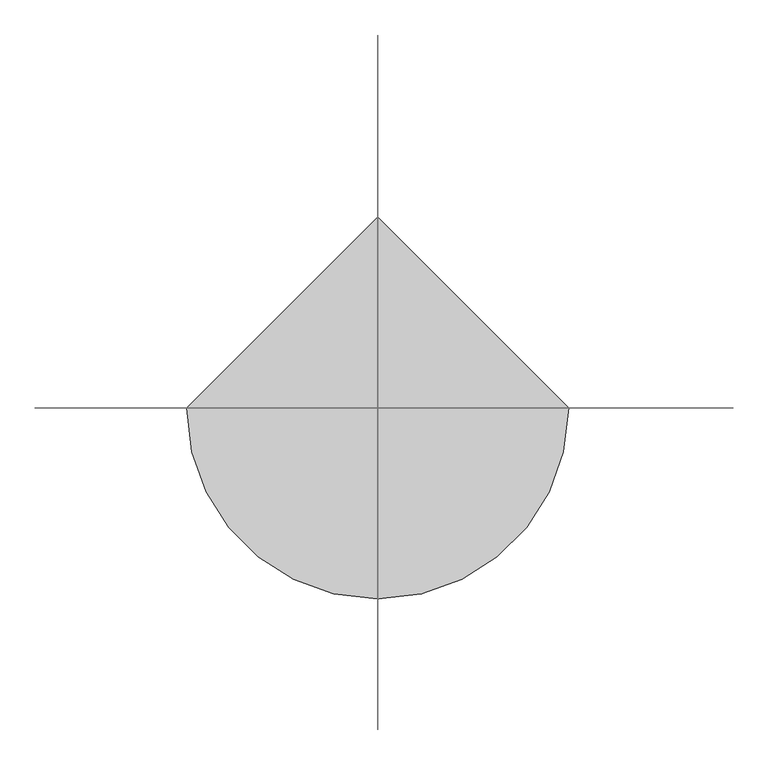
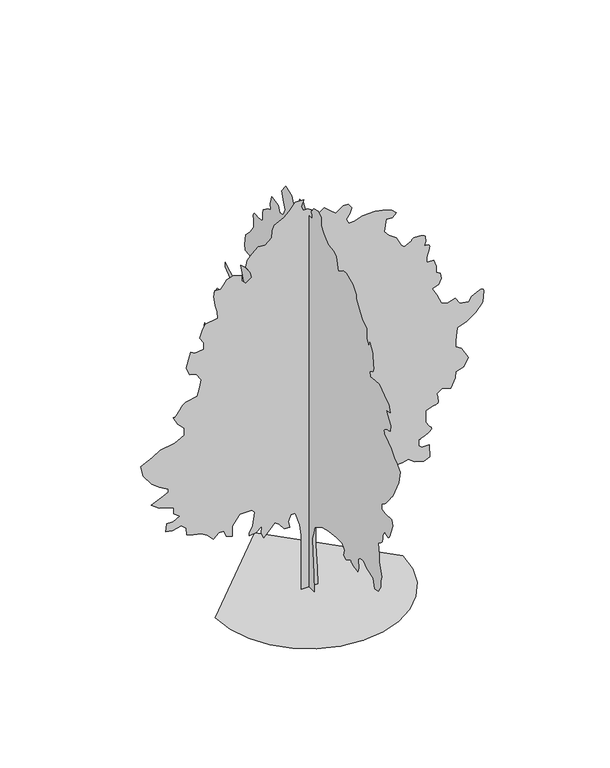
"""IFC4 building model written with IfcOpenShell, lengths in millimetres: geographic element geometry."""

import ifcopenshell
import ifcopenshell.guid

model = None  # the IFC model being written
_history = None  # IfcOwnerHistory: only IFC2X3 demands one
_inside = {}  # id of a spatial element -> (the spatial element, [elements in it])
_under = {}  # id of a project, library or spatial element -> (it, [spatial elements below it])
_declared = {}  # id of a project -> (the project, [libraries it declares])
_typed = {}  # id of a type object -> (the type object, [elements of that type])
_made_of = {}  # id of a material, layer set ... -> (it, [elements and type objects made of it])


def new_model(schema):
    """Start an empty IFC model of exactly this schema.

    Asked for "IFC4X3", IfcOpenShell would pick the latest addendum, in which some entities
    have other attributes; the version numbers below select the first issue.
    IFC2X3 requires an IfcOwnerHistory on every rooted entity: one is made here for all.
    """
    global model, _history
    if schema == "IFC4X3":
        model = ifcopenshell.file(schema_version=(4, 3, 0, 0))
    else:
        model = ifcopenshell.file(schema=schema)
    _inside.clear()
    _under.clear()
    _declared.clear()
    _typed.clear()
    _made_of.clear()
    _history = None
    if model.schema == "IFC2X3":
        org = make("IfcOrganization", Name="unknown")
        user = make(
            "IfcPersonAndOrganization",
            ThePerson=make("IfcPerson", FamilyName="unknown"),
            TheOrganization=org,
        )
        app = make(
            "IfcApplication",
            ApplicationDeveloper=org,
            Version="unknown",
            ApplicationFullName="unknown",
            ApplicationIdentifier="unknown",
        )
        _history = make(
            "IfcOwnerHistory",
            OwningUser=user,
            OwningApplication=app,
            ChangeAction="ADDED",
            CreationDate=0,
        )
    return model


def make(cls, **values):
    """One entity of the class cls with the attributes given. An attribute that is None is left unset."""
    return model.create_entity(
        cls, **{name: value for name, value in values.items() if value is not None}
    )


def rooted(cls, **values):
    """An entity with a GlobalId (a new one), such as an element, a storey or a relation."""
    return make(cls, GlobalId=ifcopenshell.guid.new(), OwnerHistory=_history, **values)


def si_unit(unit_type, name, prefix=None):
    """IfcSIUnit, for example si_unit("LENGTHUNIT", "METRE", prefix="MILLI")."""
    return make("IfcSIUnit", UnitType=unit_type, Prefix=prefix, Name=name)


def assignment(units):
    """IfcUnitAssignment: the units of a project."""
    return None if units is None else make("IfcUnitAssignment", Units=units)


def point(xyz):
    """IfcCartesianPoint."""
    return None if xyz is None else make("IfcCartesianPoint", Coordinates=xyz)


def direction(xyz):
    """IfcDirection."""
    return None if xyz is None else make("IfcDirection", DirectionRatios=xyz)


def frame(location, z_axis=None, x_axis=None):
    """IfcAxis2Placement3D, a coordinate frame: its origin and axes. An axis left out is left unset."""
    return make(
        "IfcAxis2Placement3D",
        Location=point(location),
        Axis=direction(z_axis),
        RefDirection=direction(x_axis),
    )


def origin():
    """The frame at (0, 0, 0) with its axes left unset."""
    return frame((0.0, 0.0, 0.0))


def place(relative_to, where):
    """IfcLocalPlacement: puts the frame where relative to a parent placement (None: the world)."""
    return make(
        "IfcLocalPlacement", PlacementRelTo=relative_to, RelativePlacement=where
    )


def context(
    kind, dimensions, precision=None, world=None, true_north=None, identifier=None
):
    """IfcGeometricRepresentationContext, for example the 3D "Model" context."""
    return make(
        "IfcGeometricRepresentationContext",
        ContextIdentifier=identifier,
        ContextType=kind,
        CoordinateSpaceDimension=dimensions,
        Precision=precision,
        WorldCoordinateSystem=world,
        TrueNorth=true_north,
    )


def project(units=None, contexts=None):
    """IfcProject with its units and contexts."""
    return rooted(
        "IfcProject",
        Name="project",
        RepresentationContexts=contexts,
        UnitsInContext=assignment(units),
    )


def spatial(cls, under=None, at=None, **own):
    """A site, building, storey or space (cls), placed at a placement, below another one or the project."""
    s = rooted(cls, ObjectPlacement=at, **own)
    if under is not None:
        _under.setdefault(under.id(), (under, []))[1].append(s)
    return s


def point_list(points):
    """IfcCartesianPointList2D or 3D."""
    cls = (
        "IfcCartesianPointList2D" if len(points[0]) == 2 else "IfcCartesianPointList3D"
    )
    return make(cls, CoordList=points)


def triangles(points, corners, closed=None, point_numbers=None):
    """IfcTriangulatedFaceSet: each triangle names its three corners, points numbered from 1."""
    return make(
        "IfcTriangulatedFaceSet",
        Coordinates=point_list(points),
        Closed=closed,
        CoordIndex=corners,
        PnIndex=point_numbers,
    )


def shape(context_of_items, identifier, shape_type, items):
    """IfcShapeRepresentation: the items that make up one representation, for example the "Body"."""
    return make(
        "IfcShapeRepresentation",
        ContextOfItems=context_of_items,
        RepresentationIdentifier=identifier,
        RepresentationType=shape_type,
        Items=items,
    )


def source(mapping_origin, context_of_items, identifier, shape_type, items):
    """IfcRepresentationMap: a shape defined once, which mapped items show again and again."""
    return make(
        "IfcRepresentationMap",
        MappingOrigin=mapping_origin,
        MappedRepresentation=shape(context_of_items, identifier, shape_type, items),
    )


def transform(
    local_origin,
    x_axis=None,
    y_axis=None,
    z_axis=None,
    scale=None,
    scale2=None,
    scale3=None,
    uniform=True,
):
    """IfcCartesianTransformationOperator3D, or its non-uniform kind. x_axis, y_axis, z_axis: its Axis1, 2, 3."""
    if uniform:
        return make(
            "IfcCartesianTransformationOperator3D",
            Axis1=direction(x_axis),
            Axis2=direction(y_axis),
            LocalOrigin=point(local_origin),
            Scale=scale,
            Axis3=direction(z_axis),
        )
    return make(
        "IfcCartesianTransformationOperator3DnonUniform",
        Axis1=direction(x_axis),
        Axis2=direction(y_axis),
        LocalOrigin=point(local_origin),
        Scale=scale,
        Axis3=direction(z_axis),
        Scale2=scale2,
        Scale3=scale3,
    )


def mapped(mapping_source, mapping_target):
    """IfcMappedItem: shows the shape of a source again, moved by a transform."""
    return make(
        "IfcMappedItem", MappingSource=mapping_source, MappingTarget=mapping_target
    )


def made_of(thing, what):
    """Note that an element or type object is made of a material, layer set ...; save() writes the relation."""
    if what is not None:
        _made_of.setdefault(what.id(), (what, []))[1].append(thing)
    return thing


def element(
    cls,
    number,
    at=None,
    inside=None,
    cuts=None,
    type_object=None,
    material=None,
    context=None,
    identifier="Body",
    shape_type=None,
    held_by="IfcProductDefinitionShape",
    body=None,
    shapes=None,
    **own,
):
    """One element of the class cls, such as IfcWall. Its Tag is "e" and its number.

    at: its placement. inside: the storey or other place that contains it. cuts: it is an
    opening in that element (IfcRelVoidsElement). A single representation is given by context,
    identifier, shape_type and body (its items); several are given by shapes. held_by: the class
    of the entity that holds the representations. save() writes the other relations.
    """
    e = rooted(cls, Tag="e%d" % number, ObjectPlacement=at, **own)
    if body is not None:
        shapes = [shape(context, identifier, shape_type, body)]
    if shapes is not None:
        e.Representation = make(held_by, Representations=shapes)
    if inside is not None:
        _inside.setdefault(inside.id(), (inside, []))[1].append(e)
    if cuts is not None:
        rooted(
            "IfcRelVoidsElement", RelatingBuildingElement=cuts, RelatedOpeningElement=e
        )
    if type_object is not None:
        _typed.setdefault(type_object.id(), (type_object, []))[1].append(e)
    return made_of(e, material)


def aggregate(whole, parts):
    """IfcRelAggregates: a whole, such as a stair, and the parts it consists of."""
    return rooted("IfcRelAggregates", RelatingObject=whole, RelatedObjects=parts)


def save(model, path):
    """Write the relations noted so far, then the file.

    IfcRelAggregates (storeys below a building ...), IfcRelContainedInSpatialStructure (elements
    in a storey), IfcRelDefinesByType, IfcRelAssociatesMaterial and IfcRelDeclares: one each for
    every whole, place, type object, material and project.
    """
    for whole, parts in _under.values():
        aggregate(whole, parts)
    for where, things in _inside.values():
        rooted(
            "IfcRelContainedInSpatialStructure",
            RelatedElements=things,
            RelatingStructure=where,
        )
    for kind, things in _typed.values():
        rooted("IfcRelDefinesByType", RelatedObjects=things, RelatingType=kind)
    for what, things in _made_of.values():
        rooted("IfcRelAssociatesMaterial", RelatedObjects=things, RelatingMaterial=what)
    for by, libraries in _declared.values():
        rooted("IfcRelDeclares", RelatingContext=by, RelatedDefinitions=libraries)
    model.write(path)


def geographic_element_3358a221(model_context):
    return source(origin(), model_context, "Body", "Tessellation", [
        triangles([(5.8e-06, 197.3661507, 0.0129526), (5.8e-06, -197.3841547, 0.0129526), (5.8e-06, -171.0676469, 394.7628227), (5.8e-06, -144.750367, 907.9407286), (5.8e-06, -131.5926036, 1197.4234949), (5.8e-06, -171.0676469, 1342.1660408), (5.8e-06, -223.7014255, 1513.2237682), (5.8e-06, -315.8102654, 1565.8587822), (5.8e-06, -526.342909, 1684.2838211), (5.8e-06, -750.035614, 1736.9163643), (5.8e-06, -1052.6783329, 1776.3914257), (5.8e-06, -1263.2109764, 1776.3914257), (5.8e-06, -1355.318581, 1671.1238686), (5.8e-06, -1315.8435196, 1526.38125), (5.8e-06, -1421.1110767, 1486.9061886), (5.8e-06, -1592.1712749, 1579.016264), (5.8e-06, -1595.2388203, 1567.7362839), (5.8e-06, -1599.8038033, 1556.4587746), (5.8e-06, -1607.3613361, 1545.1812653), (5.8e-06, -1619.4088566, 1533.9012852), (5.8e-06, -1637.4388607, 1522.6237759), (5.8e-06, -1662.9487862, 1511.3436504), (5.8e-06, -1697.4363613, 1500.0661411), (5.8e-06, -1733.4588718, 1490.3212418), (5.8e-06, -1763.2689709, 1483.3386738), (5.8e-06, -1787.8963921, 1478.6611977), (5.8e-06, -1808.3814789, 1475.8212547), (5.8e-06, -1825.7589066, 1474.3636402), (5.8e-06, -1841.0665478, 1473.826173), (5.8e-06, -1855.3364616, 1473.7487068), (5.8e-06, -1881.6540413, 1565.8587822), (5.8e-06, -1868.4965595, 1763.2339439), (5.8e-06, -1947.446537, 1842.1839214), (5.8e-06, -2079.029203, 1855.3415485), (5.8e-06, -2184.2967602, 1750.0738461), (5.8e-06, -2434.3044651, 1671.1238686), (5.8e-06, -2500.1020477, 1473.7487068), (5.8e-06, -2618.5270866, 1486.9061886), (5.8e-06, -2723.7770576, 1644.8087597), (5.8e-06, -2723.7770576, 1776.3914257), (5.8e-06, -2750.102195, 1881.6589828), (5.8e-06, -2658.0020027, 2184.299231), (5.8e-06, -2658.0020027, 2355.3594292), (5.8e-06, -2631.6771561, 2618.5270866), (5.8e-06, -2634.7022621, 2618.6770775), (5.8e-06, -2639.0019997, 2619.7520119), (5.8e-06, -2645.8271645, 2622.677124), (5.8e-06, -2656.4520973, 2628.3520683), (5.8e-06, -2672.1523018, 2637.702079), (5.8e-06, -2694.1771202, 2651.6770981), (5.8e-06, -2723.7770576, 2671.1520721), (5.8e-06, -2752.6273315, 2695.2520546), (5.8e-06, -2772.5022812, 2722.1021599), (5.8e-06, -2784.9021057, 2751.2521248), (5.8e-06, -2791.3022964, 2782.2522675), (5.8e-06, -2793.227179, 2814.6273262), (5.8e-06, -2792.1522446, 2847.9273285), (5.8e-06, -2789.5771111, 2881.7023018), (5.8e-06, -2868.5272339, 3013.2774101), (5.8e-06, -2899.4523811, 2993.9524269), (5.8e-06, -2929.8022728, 2977.0272972), (5.8e-06, -2958.9775269, 2964.9524529), (5.8e-06, -2986.4523033, 2960.1024582), (5.8e-06, -3011.6275108, 2964.9524529), (5.8e-06, -3033.902314, 2981.8522934), (5.8e-06, -3052.7523262, 3013.2774101), (5.8e-06, -3184.3274345, 3329.0776108), (5.8e-06, -3144.8525185, 3460.6527191), (5.8e-06, -2894.8523712, 3447.5026497), (5.8e-06, -2750.102195, 3460.6527191), (5.8e-06, -2763.2522644, 3592.2528259), (5.8e-06, -2797.1272316, 3612.2280602), (5.8e-06, -2831.2521835, 3633.7029121), (5.8e-06, -2865.8024002, 3658.1778717), (5.8e-06, -2901.0522835, 3687.1528473), (5.8e-06, -2937.227401, 3722.1030396), (5.8e-06, -2974.5774467, 3764.5280663), (5.8e-06, -3013.2774101, 3815.9281265), (5.8e-06, -3049.3025368, 3866.5782326), (5.8e-06, -3079.102462, 3906.8530998), (5.8e-06, -3103.7274124, 3938.5032028), (5.8e-06, -3124.2276146, 3963.2531456), (5.8e-06, -3141.6024261, 3982.8031151), (5.8e-06, -3156.902655, 3998.9282936), (5.8e-06, -3171.1776558, 4013.3032883), (5.8e-06, -3394.8776642, 4460.7035957), (5.8e-06, -3460.6527191, 4750.1789497), (5.8e-06, -3315.9275414, 4908.0789047), (5.8e-06, -3250.1274879, 4921.2292648), (5.8e-06, -3105.3776024, 5105.4540665), (5.8e-06, -3013.2774101, 5171.2541199), (5.8e-06, -2976.8773064, 5188.2792435), (5.8e-06, -2941.9524033, 5206.0043243), (5.8e-06, -2910.027317, 5225.1043213), (5.8e-06, -2882.6022469, 5246.2791916), (5.8e-06, -2861.1773918, 5270.2294739), (5.8e-06, -2847.2023727, 5297.6045471), (5.8e-06, -2842.2023872, 5329.1543655), (5.8e-06, -2849.1272552, 5359.9042328), (5.8e-06, -2868.4522385, 5385.1544357), (5.8e-06, -2898.1524605, 5405.8043381), (5.8e-06, -2936.1274681, 5422.7544662), (5.8e-06, -2980.3273865, 5436.9541809), (5.8e-06, -3028.6523438, 5449.3045898), (5.8e-06, -3079.0524651, 5460.7294739), (5.8e-06, -3092.227533, 5605.4793594), (5.8e-06, -3026.4274796, 5710.7293304), (5.8e-06, -2921.1522194, 5855.4797974), (5.8e-06, -3079.0524651, 5894.9547134), (5.8e-06, -3026.4274796, 6052.8549591), (5.8e-06, -2855.3771645, 6158.1299286), (5.8e-06, -2658.0020027, 6302.8548157), (5.8e-06, -2486.9394791, 6289.7050369), (5.8e-06, -2329.0393787, 6276.5552582), (5.8e-06, -2302.7217991, 6381.8052292), (5.8e-06, -2381.6719219, 6434.4549225), (5.8e-06, -2395.6744102, 6437.4803192), (5.8e-06, -2409.1019337, 6441.7800568), (5.8e-06, -2421.3769112, 6448.6052216), (5.8e-06, -2431.9269939, 6459.2301544), (5.8e-06, -2440.174601, 6474.9303589), (5.8e-06, -2445.5443314, 6496.9551773), (5.8e-06, -2447.464563, 6526.5551147), (5.8e-06, -2446.3120171, 6563.455188), (5.8e-06, -2443.0918648, 6605.8805054), (5.8e-06, -2438.1420216, 6652.9305405), (5.8e-06, -2431.81203, 6703.6303528), (5.8e-06, -2424.4469273, 6757.1055771), (5.8e-06, -2416.3894249, 6812.4306885), (5.8e-06, -2407.9895016, 6868.6807434), (5.8e-06, -2302.7217991, 7052.905545), (5.8e-06, -2263.246883, 6947.6305756), (5.8e-06, -2197.4542419, 7066.0559052), (5.8e-06, -2197.4542419, 7316.0557617), (5.8e-06, -2026.3966599, 7421.3307312), (5.8e-06, -1907.9714756, 7579.2309769), (5.8e-06, -1789.5464367, 7750.2810013), (5.8e-06, -1789.5464367, 7842.406192), (5.8e-06, -1657.9612999, 8000.3064377), (5.8e-06, -1421.1110767, 8118.7317673), (5.8e-06, -1289.5285561, 8092.4066299), (5.8e-06, -1118.4684305, 7973.9813004), (5.8e-06, -1026.3608259, 8263.4566544), (5.8e-06, -934.2507505, 8329.2567078), (5.8e-06, -723.718107, 8355.5818451), (5.8e-06, -565.8179704, 8513.4820908), (5.8e-06, -460.552884, 8631.906839), (5.8e-06, -460.552884, 8816.1072235), (5.8e-06, -342.1277724, 8895.0570557), (5.8e-06, -184.2254012, 8855.5821396), (5.8e-06, -92.1178238, 8737.15681), (5.8e-06, -105.8898393, 8706.3569458), (5.8e-06, -117.7053427, 8676.8070053), (5.8e-06, -125.607849, 8649.8069092), (5.8e-06, -127.6411006, 8626.6071625), (5.8e-06, -121.8483492, 8608.4571075), (5.8e-06, -106.2730826, 8596.6316666), (5.8e-06, -78.9590612, 8592.4319229), (5.8e-06, 105.2585824, 8592.4319229), (5.8e-06, 223.6836758, 8763.4819473), (5.8e-06, 355.2677771, 8750.3321686), (5.8e-06, 421.0578383, 8592.4319229), (5.8e-06, 592.1179639, 8513.4820908), (5.8e-06, 657.9080252, 8645.0571991), (5.8e-06, 881.6006939, 8737.15681), (5.8e-06, 1026.3433125, 8539.7816483), (5.8e-06, 960.5507441, 8316.106929), (5.8e-06, 907.9182009, 8171.3564621), (5.8e-06, 973.7107693, 8013.4562164), (5.8e-06, 1105.2933626, 7987.1316605), (5.8e-06, 1157.9259058, 8131.881546), (5.8e-06, 1421.0936359, 8158.2066833), (5.8e-06, 1473.7286499, 7973.9813004), (5.8e-06, 1447.4112156, 7842.406192), (5.8e-06, 1565.8362545, 7802.9312759), (5.8e-06, 1736.8938366, 7671.3311691), (5.8e-06, 1750.0539345, 7579.2309769), (5.8e-06, 1750.0539345, 7421.3307312), (5.8e-06, 1815.8439594, 7381.8558151), (5.8e-06, 1973.7440598, 7381.8558151), (5.8e-06, 2004.5116585, 7387.106076), (5.8e-06, 2033.7816742, 7390.055896), (5.8e-06, 2060.05914, 7388.4059967), (5.8e-06, 2081.8492344, 7379.8559372), (5.8e-06, 2097.654229, 7362.1058578), (5.8e-06, 2105.9791569, 7332.8309006), (5.8e-06, 2105.3291965, 7289.7556229), (5.8e-06, 2100.4566742, 7242.4306046), (5.8e-06, 2096.9666256, 7201.3557861), (5.8e-06, 2094.6266521, 7165.4556519), (5.8e-06, 2093.2066807, 7133.6808472), (5.8e-06, 2092.476638, 7105.0308517), (5.8e-06, 2092.2092125, 7078.4307312), (5.8e-06, 2092.1717148, 7052.905545), (5.8e-06, 2223.7542355, 6868.6807434), (5.8e-06, 2394.8119629, 6697.6301376), (5.8e-06, 2434.2870243, 6447.6052826), (5.8e-06, 2407.9719154, 6329.179953), (5.8e-06, 2276.3867786, 6316.0301743), (5.8e-06, 2171.1216923, 6289.7050369), (5.8e-06, 2092.1717148, 6118.6550125), (5.8e-06, 2197.4368011, 5921.2798508), (5.8e-06, 2434.2870243, 5921.2798508), (5.8e-06, 2592.1769508, 5868.6295761), (5.8e-06, 2460.6044586, 5526.5295273), (5.8e-06, 2579.0271721, 5394.9294205), (5.8e-06, 2907.9774422, 5434.4043365), (5.8e-06, 3000.1023422, 5487.0546112), (5.8e-06, 3184.3024361, 5579.1542221), (5.8e-06, 3171.1526573, 5487.0546112), (5.8e-06, 2934.3022888, 5276.5040909), (5.8e-06, 2842.2023872, 4987.0293182), (5.8e-06, 2947.4523582, 4763.3287285), (5.8e-06, 3092.2025345, 4776.5037964), (5.8e-06, 3095.3776314, 4790.453817), (5.8e-06, 3100.752594, 4803.6288849), (5.8e-06, 3110.5025803, 4815.1787613), (5.8e-06, 3126.8024574, 4824.3037857), (5.8e-06, 3151.8526726, 4830.204007), (5.8e-06, 3187.8525101, 4832.0788925), (5.8e-06, 3236.9527107, 4829.1287819), (5.8e-06, 3473.8027885, 4802.8039352), (5.8e-06, 3592.2278275, 4631.7536201), (5.8e-06, 3552.7529114, 4447.5285278), (5.8e-06, 3408.0027351, 4342.2785568), (5.8e-06, 3289.5776962, 4052.7782043), (5.8e-06, 3342.2026817, 3868.5781105), (5.8e-06, 3394.8526657, 3802.7780571), (5.8e-06, 3526.427774, 3579.077758), (5.8e-06, 3789.6029892, 3605.4028954), (5.8e-06, 3960.6533043, 3710.6778648), (5.8e-06, 4013.2782898, 3473.827787), (5.8e-06, 3763.2781425, 3355.4027481), (5.8e-06, 3592.2278275, 3302.7527641), (5.8e-06, 3473.8027885, 3039.6025475), (5.8e-06, 3408.0027351, 2881.7023018), (5.8e-06, 3329.0526123, 2658.0020027), (5.8e-06, 3184.3024361, 2684.32714), (5.8e-06, 2960.6274261, 2723.8020561), (5.8e-06, 2776.4023338, 2684.32714), (5.8e-06, 2644.8272255, 2473.7844681), (5.8e-06, 2815.8772499, 2302.726886), (5.8e-06, 2973.7774956, 2276.4093063), (5.8e-06, 3000.1023422, 2026.3991306), (5.8e-06, 2988.6274612, 2001.2715946), (5.8e-06, 2976.0023598, 1977.6416416), (5.8e-06, 2961.0773987, 1957.0016224), (5.8e-06, 2942.7023575, 1940.8515907), (5.8e-06, 2919.7273064, 1930.6865135), (5.8e-06, 2891.0023155, 1928.001503), (5.8e-06, 2855.352166, 1934.291526), (5.8e-06, 2818.1774002, 1946.7215813), (5.8e-06, 2785.1523811, 1961.2215683), (5.8e-06, 2755.5771515, 1977.4490662), (5.8e-06, 2728.7523354, 1995.0591831), (5.8e-06, 2704.0271004, 2013.7016499), (5.8e-06, 2680.6520737, 2033.0366615), (5.8e-06, 2657.9770042, 2052.7167103), (5.8e-06, 2565.8771027, 2157.9842674), (5.8e-06, 2548.8019821, 2185.796814), (5.8e-06, 2530.801918, 2211.3067394), (5.8e-06, 2510.9769653, 2232.2143295), (5.8e-06, 2488.3795074, 2246.2168179), (5.8e-06, 2462.0994255, 2251.011874), (5.8e-06, 2431.219479, 2244.2993477), (5.8e-06, 2394.8119629, 2223.7767632), (5.8e-06, 2349.1993401, 2197.1142918), (5.8e-06, 2292.5368103, 2173.2142971), (5.8e-06, 2226.6693192, 2151.6167782), (5.8e-06, 2153.4342545, 2131.8592632), (5.8e-06, 2074.6767071, 2113.484222), (5.8e-06, 1992.236681, 2096.0291828), (5.8e-06, 1907.9540348, 2079.0341446), (5.8e-06, 1697.4189205, 2026.3991306), (5.8e-06, 1763.2114162, 1894.8164646), (5.8e-06, 1973.7440598, 1763.2339439), (5.8e-06, 2079.0116169, 1592.1737457), (5.8e-06, 1894.7940823, 1526.38125), (5.8e-06, 1869.3215092, 1526.5736801), (5.8e-06, 1843.2739712, 1527.9161854), (5.8e-06, 1816.0740326, 1531.5611664), (5.8e-06, 1787.1489086, 1538.6586983), (5.8e-06, 1755.9214542, 1550.3587109), (5.8e-06, 1721.8164139, 1567.8137501), (5.8e-06, 1684.2612934, 1592.1737457), (5.8e-06, 1645.5537724, 1620.7538326), (5.8e-06, 1608.2262543, 1650.0238483), (5.8e-06, 1572.0512821, 1679.8712997), (5.8e-06, 1536.796312, 1710.1764267), (5.8e-06, 1502.2312706, 1740.8289162), (5.8e-06, 1468.1262302, 1771.7114788), (5.8e-06, 1434.2511177, 1802.7090054), (5.8e-06, 1171.085931, 1881.6589828), (5.8e-06, 960.5507441, 1921.1340443), (5.8e-06, 750.0181005, 1973.7665874), (5.8e-06, 539.4829499, 1934.291526), (5.8e-06, 249.9999474, 1829.0239689), (5.8e-06, 171.0498791, 1723.7588825), (5.8e-06, 105.2585824, 1539.5412025), (5.8e-06, 78.9410663, 1276.3735451), (5.8e-06, 105.2585824, 921.0982103), (5.8e-06, 157.8911256, 407.9228116), (-2052.3641155, 0.0, 0.0), (-1998.1066715, -470.2653726, 0.0), (-1843.5815105, -902.1307634, 0.0), (-1601.1612785, -1283.2184761, 0.0), (-1283.2184761, -1601.1612785, 0.0), (-902.1307634, -1843.5815105, 0.0), (-470.2653726, -1998.1066715, 0.0), (8.97e-05, -2052.3641155, 0.0), (470.2653726, -1998.1066715, 0.0), (902.1307634, -1843.5815105, 0.0), (1283.2184761, -1601.1612785, 0.0), (1601.1612785, -1283.2184761, 0.0), (1843.5815105, -902.1307634, 0.0), (1998.1066715, -470.2653726, 0.0), (2052.3641155, 0.0001799, 0.0), (-0.0002691, 2052.3641155, 0.0), (196.7396627, 0.0002249, 0.0051811), (-167.0323917, 0.0002249, 0.0051811), (-167.0323917, 0.0001889, 673.6580086), (-167.0323917, 0.0001619, 1023.9583563), (-167.0323917, 0.0001529, 1252.9985184), (-207.4516724, 0.0001349, 1508.988707), (-301.7627399, 0.0001169, 1805.3940159), (-396.0753153, 0.0001169, 1805.3940159), (-449.967847, 0.0001259, 1657.1912888), (-423.0203276, 0.0001349, 1522.4612858), (-544.2779334, 0.0001349, 1535.9337193), (-652.0630331, 0.0001259, 1670.6638676), (-746.3755903, 0.0001259, 1738.0289417), (-854.1581829, 0.0001259, 1616.7713722), (-988.8883312, 0.0001349, 1482.0412239), (-1042.7808266, 0.0001349, 1603.2987934), (-1029.3083204, 0.0001259, 1764.9764248), (-1164.0384687, 0.0001259, 1657.1912888), (-1312.243594, 0.0001259, 1643.7188553), (-1312.243594, 0.0001259, 1711.0839294), (-1231.4034702, 0.0001169, 1845.8139324), (-1190.9859518, 9.89e-05, 2142.2217121), (-1258.3509533, 9.89e-05, 2209.5867863), (-1514.3386711, 9.89e-05, 2209.5867863), (-1676.0138317, 0.0001079, 1980.5440807), (-1676.0138317, 0.0001169, 1886.2339943), (-1676.0138317, 0.0001259, 1751.503846), (-1810.7464508, 0.0001169, 1805.3940159), (-1864.6389462, 0.0001079, 1940.126635), (-1972.4216114, 0.0001079, 1940.126635), (-2093.6791809, 0.0001169, 1832.3414989), (-2228.4093292, 0.0001079, 1967.0716473), (-2363.1419483, 0.0001079, 2047.9091549), (-2538.3020416, 9.89e-05, 2088.3292168), (-2673.0272484, 9.89e-05, 2142.2217121), (-2686.502298, 8.99e-05, 2290.4242939), (-2794.2771149, 8.1e-05, 2384.7369965), (-2996.3772789, 8.99e-05, 2344.3169346), (-3131.1024857, 8.1e-05, 2371.2644176), (-3117.6274361, 7.2e-05, 2546.4021286), (-2969.4274704, 7.2e-05, 2546.4021286), (-2834.7022636, 7.2e-05, 2627.2521355), (-2955.9524208, 6.3e-05, 2721.5521935), (-2955.9524208, 5.4e-05, 2856.3023987), (-3090.6776276, 5.4e-05, 2910.1773079), (-3279.302742, 5.4e-05, 2964.0775063), (-3454.4528069, 4.5e-05, 3098.8024223), (-3238.8775932, 3.6e-05, 3193.1274788), (-3077.202578, 3.6e-05, 3260.4777283), (-3077.202578, 2.7e-05, 3327.8526855), (-3279.302742, 1.8e-05, 3449.1028427), (-3440.9777573, 1.8e-05, 3570.3779984), (-3629.6028717, 0.0, 3826.3530716), (-3683.5030701, -1.8e-05, 4068.8783844), (-3575.7279625, -1.8e-05, 4122.7532936), (-3427.5027077, -2.7e-05, 4190.1282509), (-3252.3526428, -2.7e-05, 4297.9033585), (-2942.4773712, -3.6e-05, 4351.8035568), (-2726.9021576, -3.6e-05, 4459.5786644), (-2726.9021576, -4.5e-05, 4621.2536797), (-2875.1274124, -5.4e-05, 4769.4789345), (-2969.4274704, -7.2e-05, 4944.6289993), (-2960.6274261, -7.2e-05, 4942.0541565), (-2951.0024323, -7.2e-05, 4941.5041901), (-2939.7272484, -7.2e-05, 4944.978978), (-2925.9775063, -7.2e-05, 4954.4289825), (-2908.9273842, -7.2e-05, 4971.9040787), (-2887.7772217, -7.2e-05, 4999.4041443), (-2861.6523628, -7.2e-05, 5038.9290573), (-2833.9523094, -7.2e-05, 5080.8038269), (-2808.3771263, -8.1e-05, 5114.904071), (-2784.5771255, -8.1e-05, 5142.5041306), (-2762.17733, -8.1e-05, 5164.9289246), (-2740.8521782, -8.1e-05, 5183.4789551), (-2720.2272743, -8.1e-05, 5199.4291443), (-2699.9770569, -8.1e-05, 5214.0794128), (-2443.9796013, -8.99e-05, 5267.9790298), (-2390.0869606, -9.89e-05, 5456.6041443), (-2363.1419483, -0.0001079, 5618.2797409), (-2470.9270844, -0.0001169, 5779.9547562), (-2605.6520004, -0.0001169, 5820.3546158), (-2686.502298, -0.0001349, 5995.5049713), (-2632.6020996, -0.0001439, 6184.1300858), (-2592.1769508, -0.0001529, 6332.3303421), (-2497.8719513, -0.0001439, 6278.4551422), (-2309.2493076, -0.0001529, 6305.4052414), (-2309.2493076, -0.0001619, 6453.6054977), (-2390.0869606, -0.0001619, 6588.3304138), (-2336.1943199, -0.0001709, 6736.5306702), (-2268.8293911, -0.0001799, 6871.2555862), (-1999.3690945, -0.0001889, 6911.6804443), (-2012.8416733, -0.0001979, 7073.3554596), (-2053.2615898, -0.0002069, 7221.5557159), (-2080.2067474, -0.0002159, 7437.1309296), (-2066.7341686, -0.0002249, 7571.8558456), (-1932.0040203, -0.0002249, 7558.3810867), (-1864.6389462, -0.0002249, 7639.2313843), (-1797.2740173, -0.0002339, 7733.5314423), (-1662.5413982, -0.0002339, 7773.9563004), (-1473.9187546, -0.0002339, 7720.056102), (-1473.9187546, -0.0002249, 7598.8059448), (-1379.6086681, -0.0002249, 7504.5058868), (-1258.3509533, -0.0002249, 7598.8059448), (-1285.2959656, -0.0002339, 7733.5314423), (-1379.6086681, -0.0002429, 7881.7311172), (-1352.6610397, -0.0002519, 8029.9563721), (-1244.876049, -0.0002609, 8137.7317703), (-1110.1459007, -0.0002698, 8258.9819275), (-961.9432463, -0.0002609, 8245.5065872), (-813.7406645, -0.0002698, 8366.7817429), (-800.2656149, -0.0002788, 8514.9819992), (-759.8480965, -0.0002878, 8636.2321564), (-557.7504395, -0.0002968, 8730.5572128), (-436.49287, -0.0002968, 8838.3320297), (-301.7627399, -0.0003058, 9000.007045), (-113.1403415, -0.0003058, 9000.007045), (-167.0323917, -0.0002968, 8851.80737), (-126.6133563, -0.0002968, 8757.4823135), (-32.3020254, -0.0002968, 8757.4823135), (48.5362907, -0.0002878, 8703.6071136), (75.4823112, -0.0002878, 8595.8067169), (237.1586891, -0.0002878, 8582.331958), (331.4702834, -0.0002878, 8649.7069153), (466.2003591, -0.0002788, 8541.9320984), (587.4579649, -0.0002788, 8434.1317017), (749.1355963, -0.0002788, 8555.4068573), (856.9206596, -0.0002788, 8555.4068573), (937.7582399, -0.0002788, 8447.6070419), (897.3382507, -0.0002698, 8312.8815445), (816.5006704, -0.0002609, 8218.5814865), (870.3932384, -0.0002609, 8110.7816711), (991.650808, -0.0002609, 8110.7816711), (1180.2734516, -0.0002609, 8178.1566284), (1449.7336029, -0.0002609, 8178.1566284), (1611.4112343, -0.0002609, 8151.2065292), (1813.5064568, -0.0002519, 8083.831572), (1907.819014, -0.0002519, 7989.531514), (1826.9790356, -0.0002429, 7895.2064575), (1692.2488873, -0.0002429, 7908.6812164), (1665.303875, -0.0002339, 7787.4310593), (1651.8288254, -0.0002249, 7639.2313843), (1746.1413826, -0.0002249, 7517.9812271), (1907.819014, -0.0002159, 7410.1808304), (2015.6016792, -0.0001979, 7194.6056168), (2082.9667534, -0.0001979, 7140.7309982), (2244.6443848, -0.0002069, 7221.5557159), (2247.8267487, -0.0002069, 7233.0305969), (2252.7742664, -0.0002069, 7244.0310883), (2261.259359, -0.0002069, 7254.0810562), (2275.0468895, -0.0002069, 7262.7311096), (2295.9043373, -0.0002069, 7269.4806976), (2325.5993271, -0.0002069, 7273.8810104), (2365.9019543, -0.0002069, 7275.4559143), (2407.7743984, -0.0002069, 7273.8810104), (2441.8695557, -0.0002069, 7269.4806976), (2469.4844398, -0.0002069, 7262.7311096), (2491.9121407, -0.0002069, 7254.0810562), (2510.4519974, -0.0002069, 7244.0310883), (2526.4018959, -0.0002069, 7233.0305969), (2541.0521645, -0.0002069, 7221.5557159), (2554.5269234, -0.0001979, 7100.3055588), (2527.5771149, -0.0001889, 7006.0055008), (2558.951944, -0.0001889, 7005.5555283), (2588.1021996, -0.0001889, 7002.5307129), (2612.7771469, -0.0001889, 6994.330632), (2630.7272141, -0.0001889, 6978.3304459), (2639.7272461, -0.0001889, 6951.9808914), (2637.5270897, -0.0001889, 6912.6553848), (2621.9021713, -0.0001799, 6857.7808273), (2602.3272034, -0.0001799, 6799.7802979), (2589.127137, -0.0001799, 6751.6553284), (2581.2270378, -0.0001709, 6711.7804367), (2577.5769699, -0.0001709, 6678.5051422), (2577.1019989, -0.0001709, 6650.2051254), (2578.7521889, -0.0001709, 6625.1804901), (2581.4770226, -0.0001709, 6601.8051727), (2729.6772789, -0.0001709, 6601.8051727), (2783.5771866, -0.0001529, 6440.1301575), (2783.5771866, -0.0001529, 6305.4052414), (2877.8772446, -0.0001439, 6251.505043), (2891.3522942, -0.0001349, 6130.2548859), (2837.4523865, -0.0001349, 6008.9797302), (2702.7271797, -0.0001259, 5955.1045303), (2797.0522362, -0.0001169, 5779.9547562), (2891.3522942, -0.0001079, 5564.3795425), (3026.0775009, -9.89e-05, 5497.0045853), (3201.2275658, -0.0001079, 5550.9042023), (3295.5526222, -9.89e-05, 5402.7045273), (3497.6277878, -8.99e-05, 5375.7544281), (3565.0027451, -9.89e-05, 5470.0544861), (3619.4779083, -9.89e-05, 5501.3043228), (3671.7279167, -9.89e-05, 5529.3293564), (3719.5029076, -0.0001079, 5551.0291946), (3760.5280197, -0.0001079, 5563.1546173), (3792.6280952, -0.0001079, 5562.5796524), (3813.5279823, -0.0001079, 5546.0794968), (3821.0031075, -9.89e-05, 5510.4793442), (3820.2031563, -9.89e-05, 5465.8541611), (3818.0029999, -9.89e-05, 5424.0793854), (3814.6282059, -8.99e-05, 5384.6294678), (3810.3031792, -8.99e-05, 5347.0794342), (3805.2781952, -8.99e-05, 5310.9543137), (3799.7779495, -8.99e-05, 5275.7541367), (3794.0530083, -8.99e-05, 5241.029512), (3645.8530426, -7.2e-05, 5079.3539154), (3457.2279282, -6.3e-05, 4931.1542404), (3241.6527145, -6.3e-05, 4863.7789925), (3214.7026154, -4.5e-05, 4567.3787704), (3214.7026154, -3.6e-05, 4432.6285652), (3335.9527725, -3.6e-05, 4351.8035568), (3484.1777367, -1.8e-05, 4095.8031944), (3389.8526802, -9e-06, 3907.2030785), (3214.7026154, 0.0, 3853.3031708), (3201.2275658, 9e-06, 3718.577964), (3106.9275078, 1.8e-05, 3503.0027504), (2918.3023933, 1.8e-05, 3570.3779984), (2801.5522522, 1.8e-05, 3481.1779198), (2800.6773056, 1.8e-05, 3482.6028328), (2800.3023285, 1.8e-05, 3481.8278801), (2800.9522888, 1.8e-05, 3476.6779037), (2803.1271561, 1.8e-05, 3464.9277489), (2807.3521889, 1.8e-05, 3444.4028389), (2814.1523552, 2.7e-05, 3412.9277252), (2823.9773369, 2.7e-05, 3368.2778343), (2830.0272583, 2.7e-05, 3322.9776924), (2826.1772026, 2.7e-05, 3289.7026886), (2814.0773598, 3.6e-05, 3266.4526543), (2795.4023369, 3.6e-05, 3251.202713), (2771.752327, 3.6e-05, 3241.9776947), (2744.8022278, 3.6e-05, 3236.7527229), (2716.2022293, 3.6e-05, 3233.5276291), (2554.5269234, 3.6e-05, 3179.6524292), (2554.5269234, 5.4e-05, 2910.1773079), (2635.3522224, 6.3e-05, 2788.9271507), (2655.0521828, 6.3e-05, 2771.5273407), (2671.5520477, 6.3e-05, 2753.652269), (2681.6773018, 6.3e-05, 2734.8272552), (2682.2522667, 6.3e-05, 2714.602327), (2670.1271347, 6.3e-05, 2692.5022224), (2642.0771027, 7.2e-05, 2668.0272629), (2594.9520721, 7.2e-05, 2640.7271851), (2543.4770164, 7.2e-05, 2615.3769882), (2503.35214, 7.2e-05, 2596.4269821), (2472.6243645, 7.2e-05, 2582.7519447), (2449.4496162, 7.2e-05, 2573.3269386), (2431.9319355, 7.2e-05, 2567.0770294), (2418.1845188, 7.2e-05, 2562.9519905), (2406.3218708, 7.2e-05, 2559.8771782), (2406.3218708, 8.1e-05, 2425.156913), (2473.6870903, 8.99e-05, 2357.7893681), (2635.3522224, 8.99e-05, 2357.7893681), (2648.827272, 9.89e-05, 2074.856638), (2514.1020653, 0.0001079, 2020.9641426), (2312.0093136, 9.89e-05, 2088.3292168), (2177.2793106, 9.89e-05, 2182.641774), (2042.5491623, 9.89e-05, 2155.6942909), (1800.0340233, 9.89e-05, 2142.2217121), (1651.8288254, 9.89e-05, 2101.8016502), (1638.3563919, 0.0001169, 1913.1790066), (1490.1536648, 0.0001169, 1899.7065731), (1301.5310211, 0.0001169, 1913.1790066), (1220.6910427, 0.0001169, 1791.9214371), (937.7582399, 0.0001259, 1751.503846), (722.1881132, 0.0001169, 1805.3940159), (722.1881132, 0.0001349, 1589.8262146), (547.0404465, 0.0001349, 1603.2987934), (493.1479148, 0.0001259, 1711.0839294), (398.8353212, 0.0001259, 1670.6638676), (291.0502397, 0.0001259, 1670.6638676), (250.6327031, 0.0001169, 1791.9214371), (142.8473672, 0.0001259, 1670.6638676), (129.3743524, 0.0001349, 1522.4612858), (142.8473672, 0.0001529, 1293.4185802), (142.8473672, 0.0001709, 916.1732203), (183.2666479, 0.0002069, 377.2503016)], [[130, 131, 132], [208, 209, 210], [208, 210, 211], [207, 208, 211], [230, 231, 232], [230, 232, 233], [276, 277, 278], [229, 230, 233], [229, 233, 234], [302, 1, 2], [302, 2, 3], [302, 3, 4], [301, 302, 4], [301, 4, 5], [300, 301, 5], [300, 5, 6], [299, 300, 6], [299, 6, 7], [108, 109, 110], [203, 204, 205], [206, 207, 211], [206, 211, 212], [108, 110, 111], [202, 203, 205], [13, 14, 15], [13, 15, 16], [236, 237, 238], [171, 172, 173], [170, 171, 173], [170, 173, 174], [36, 37, 38], [36, 38, 39], [36, 39, 40], [275, 276, 278], [275, 278, 279], [275, 279, 280], [275, 280, 281], [275, 281, 282], [275, 282, 283], [275, 283, 284], [275, 284, 285], [275, 285, 286], [275, 286, 287], [275, 287, 288], [275, 288, 289], [275, 289, 290], [274, 275, 290], [274, 290, 291], [274, 291, 292], [67, 68, 69], [66, 67, 69], [164, 165, 166], [164, 166, 167], [163, 164, 167], [163, 167, 168], [242, 243, 244], [29, 30, 31], [104, 105, 106], [197, 198, 199], [28, 29, 31], [298, 299, 7], [66, 69, 70], [65, 66, 70], [64, 65, 70], [63, 64, 70], [62, 63, 70], [61, 62, 70], [60, 61, 70], [59, 60, 70], [27, 28, 31], [150, 151, 152], [160, 161, 162], [159, 160, 162], [196, 197, 199], [195, 196, 199], [195, 199, 200], [26, 27, 31], [133, 134, 135], [242, 244, 245], [242, 245, 246], [242, 246, 247], [242, 247, 248], [242, 248, 249], [242, 249, 250], [242, 250, 251], [242, 251, 252], [242, 252, 253], [242, 253, 254], [242, 254, 255], [242, 255, 256], [242, 256, 257], [242, 257, 258], [242, 258, 259], [241, 242, 259], [241, 259, 260], [241, 260, 261], [241, 261, 262], [241, 262, 263], [241, 263, 264], [298, 7, 8], [274, 292, 293], [147, 148, 149], [147, 149, 150], [147, 150, 152], [147, 152, 153], [147, 153, 154], [147, 154, 155], [147, 155, 156], [36, 40, 41], [36, 41, 42], [35, 36, 42], [34, 35, 42], [34, 42, 43], [86, 87, 88], [86, 88, 89], [34, 43, 44], [104, 106, 107], [103, 104, 107], [102, 103, 107], [25, 26, 31], [25, 31, 32], [24, 25, 32], [23, 24, 32], [22, 23, 32], [21, 22, 32], [20, 21, 32], [19, 20, 32], [18, 19, 32], [17, 18, 32], [16, 17, 32], [13, 16, 32], [12, 13, 32], [102, 107, 108], [101, 102, 108], [129, 130, 132], [146, 147, 156], [100, 101, 108], [236, 238, 239], [146, 156, 157], [221, 222, 223], [221, 223, 224], [221, 224, 225], [220, 221, 225], [219, 220, 225], [218, 219, 225], [217, 218, 225], [216, 217, 225], [215, 216, 225], [214, 215, 225], [213, 214, 225], [213, 225, 226], [33, 34, 44], [235, 236, 239], [298, 8, 9], [297, 298, 9], [12, 32, 33], [58, 59, 70], [175, 176, 177], [85, 86, 89], [85, 89, 90], [85, 90, 91], [85, 91, 92], [84, 85, 92], [84, 92, 93], [83, 84, 93], [82, 83, 93], [82, 93, 94], [81, 82, 94], [80, 81, 94], [80, 94, 95], [79, 80, 95], [12, 33, 44], [78, 79, 95], [77, 78, 95], [76, 77, 95], [75, 76, 95], [74, 75, 95], [73, 74, 95], [72, 73, 95], [71, 72, 95], [71, 95, 96], [108, 111, 112], [108, 112, 113], [100, 108, 113], [100, 113, 114], [99, 100, 114], [98, 99, 114], [194, 195, 200], [128, 129, 132], [137, 138, 139], [175, 177, 178], [174, 175, 178], [241, 264, 265], [139, 140, 141], [139, 141, 142], [137, 139, 142], [229, 234, 235], [229, 235, 239], [228, 229, 239], [227, 228, 239], [227, 239, 240], [226, 227, 240], [213, 226, 240], [136, 137, 142], [142, 143, 144], [142, 144, 145], [145, 146, 157], [127, 128, 132], [11, 12, 44], [170, 174, 178], [194, 200, 201], [71, 96, 97], [145, 157, 158], [169, 170, 178], [212, 213, 240], [206, 212, 240], [205, 206, 240], [205, 240, 241], [205, 241, 265], [205, 265, 266], [205, 266, 267], [205, 267, 268], [205, 268, 269], [205, 269, 270], [205, 270, 271], [205, 271, 272], [205, 272, 273], [205, 273, 274], [205, 274, 293], [205, 293, 294], [205, 294, 295], [202, 205, 295], [202, 295, 296], [201, 202, 296], [201, 296, 297], [201, 297, 9], [201, 9, 10], [201, 10, 11], [201, 11, 44], [194, 201, 44], [193, 194, 44], [193, 44, 45], [193, 45, 46], [193, 46, 47], [193, 47, 48], [193, 48, 49], [193, 49, 50], [193, 50, 51], [193, 51, 52], [193, 52, 53], [193, 53, 54], [193, 54, 55], [193, 55, 56], [193, 56, 57], [193, 57, 58], [193, 58, 70], [193, 70, 71], [193, 71, 97], [193, 97, 98], [193, 98, 114], [193, 114, 115], [192, 193, 115], [191, 192, 115], [190, 191, 115], [189, 190, 115], [188, 189, 115], [187, 188, 115], [186, 187, 115], [185, 186, 115], [184, 185, 115], [183, 184, 115], [182, 183, 115], [181, 182, 115], [180, 181, 115], [179, 180, 115], [178, 179, 115], [169, 178, 115], [168, 169, 115], [163, 168, 115], [162, 163, 115], [159, 162, 115], [158, 159, 115], [145, 158, 115], [142, 145, 115], [136, 142, 115], [135, 136, 115], [133, 135, 115], [132, 133, 115], [127, 132, 115], [126, 127, 115], [126, 115, 116], [125, 126, 116], [124, 125, 116], [123, 124, 116], [122, 123, 116], [121, 122, 116], [121, 116, 117], [120, 121, 117], [120, 117, 118], [119, 120, 118], [317, 318, 303], [316, 317, 303], [316, 303, 304], [315, 316, 304], [315, 304, 305], [315, 305, 306], [314, 315, 306], [313, 314, 306], [313, 306, 307], [313, 307, 308], [313, 308, 309], [313, 309, 310], [313, 310, 311], [313, 311, 312], [379, 380, 381], [379, 381, 382], [364, 365, 366], [344, 345, 346], [332, 333, 334], [433, 434, 435], [327, 328, 329], [401, 402, 403], [327, 329, 330], [344, 346, 347], [343, 344, 347], [332, 334, 335], [432, 433, 435], [379, 382, 383], [534, 535, 536], [336, 337, 338], [336, 338, 339], [335, 336, 339], [582, 583, 584], [582, 584, 585], [593, 319, 320], [593, 320, 321], [592, 593, 321], [592, 321, 322], [591, 592, 322], [591, 322, 323], [412, 413, 414], [331, 332, 335], [591, 323, 324], [590, 591, 324], [568, 569, 570], [568, 570, 571], [568, 571, 572], [568, 572, 573], [567, 568, 573], [348, 349, 350], [532, 533, 534], [454, 455, 456], [454, 456, 457], [453, 454, 457], [357, 358, 359], [356, 357, 359], [355, 356, 359], [355, 359, 360], [363, 364, 366], [363, 366, 367], [589, 590, 324], [589, 324, 325], [576, 577, 578], [371, 372, 373], [335, 339, 340], [379, 383, 384], [504, 505, 506], [440, 441, 442], [417, 418, 419], [326, 327, 330], [494, 495, 496], [586, 587, 588], [362, 363, 367], [432, 435, 436], [588, 589, 325], [326, 330, 331], [352, 353, 354], [585, 586, 588], [452, 453, 457], [331, 335, 340], [379, 384, 385], [416, 417, 419], [415, 416, 419], [411, 412, 414], [531, 532, 534], [528, 529, 530], [528, 530, 531], [527, 528, 531], [431, 432, 436], [414, 415, 419], [411, 414, 419], [411, 419, 420], [410, 411, 420], [409, 410, 420], [576, 578, 579], [371, 373, 374], [370, 371, 374], [370, 374, 375], [369, 370, 375], [369, 375, 376], [368, 369, 376], [368, 376, 377], [407, 408, 409], [452, 457, 458], [451, 452, 458], [450, 451, 458], [450, 458, 459], [497, 498, 499], [497, 499, 500], [497, 500, 501], [445, 446, 447], [444, 445, 447], [443, 444, 447], [443, 447, 448], [326, 331, 340], [360, 361, 362], [494, 496, 497], [405, 406, 407], [405, 407, 409], [398, 399, 400], [398, 400, 401], [398, 401, 403], [398, 403, 404], [397, 398, 404], [579, 580, 581], [494, 497, 501], [425, 426, 427], [379, 385, 386], [429, 430, 431], [527, 531, 534], [477, 478, 479], [476, 477, 479], [475, 476, 479], [474, 475, 479], [473, 474, 479], [473, 479, 480], [472, 473, 480], [471, 472, 480], [470, 471, 480], [469, 470, 480], [468, 469, 480], [467, 468, 480], [466, 467, 480], [465, 466, 480], [464, 465, 480], [463, 464, 480], [566, 567, 573], [566, 573, 574], [566, 574, 575], [428, 429, 431], [428, 431, 436], [422, 423, 424], [422, 424, 425], [422, 425, 427], [421, 422, 427], [342, 343, 347], [437, 438, 439], [436, 437, 439], [428, 436, 439], [378, 379, 386], [378, 386, 387], [378, 387, 388], [378, 388, 389], [378, 389, 390], [378, 390, 391], [378, 391, 392], [378, 392, 393], [378, 393, 394], [378, 394, 395], [582, 585, 588], [351, 352, 354], [513, 514, 515], [512, 513, 515], [511, 512, 515], [511, 515, 516], [510, 511, 516], [510, 516, 517], [509, 510, 517], [509, 517, 518], [509, 518, 519], [508, 509, 519], [507, 508, 519], [507, 519, 520], [507, 520, 521], [507, 521, 522], [507, 522, 523], [507, 523, 524], [506, 507, 524], [506, 524, 525], [504, 506, 525], [503, 504, 525], [354, 355, 360], [579, 581, 582], [342, 347, 348], [342, 348, 350], [342, 350, 351], [342, 351, 354], [342, 354, 360], [342, 360, 362], [342, 362, 367], [342, 367, 368], [342, 368, 377], [341, 342, 377], [449, 450, 459], [527, 534, 536], [404, 405, 409], [341, 377, 378], [341, 378, 395], [341, 395, 396], [503, 525, 526], [440, 442, 443], [555, 556, 557], [554, 555, 557], [554, 557, 558], [553, 554, 558], [552, 553, 558], [552, 558, 559], [551, 552, 559], [551, 559, 560], [551, 560, 561], [551, 561, 562], [551, 562, 563], [551, 563, 564], [551, 564, 565], [551, 565, 566], [551, 566, 575], [550, 551, 575], [550, 575, 576], [460, 461, 462], [483, 484, 485], [482, 483, 485], [482, 485, 486], [481, 482, 486], [481, 486, 487], [480, 481, 487], [480, 487, 488], [463, 480, 488], [463, 488, 489], [463, 489, 490], [463, 490, 491], [463, 491, 492], [463, 492, 493], [463, 493, 494], [463, 494, 501], [341, 396, 397], [340, 341, 397], [326, 340, 397], [325, 326, 397], [588, 325, 397], [582, 588, 397], [579, 582, 397], [576, 579, 397], [550, 576, 397], [550, 397, 404], [550, 404, 409], [550, 409, 420], [550, 420, 421], [549, 550, 421], [549, 421, 427], [549, 427, 428], [549, 428, 439], [549, 439, 440], [549, 440, 443], [549, 443, 448], [549, 448, 449], [549, 449, 459], [549, 459, 460], [549, 460, 462], [549, 462, 463], [549, 463, 501], [549, 501, 502], [549, 502, 503], [548, 549, 503], [547, 548, 503], [526, 527, 536], [503, 526, 536], [544, 545, 546], [543, 544, 546], [543, 546, 547], [542, 543, 547], [541, 542, 547], [540, 541, 547], [503, 536, 537], [547, 503, 537], [547, 537, 538], [547, 538, 539], [540, 547, 539]], closed=False),
    ])


if __name__ == "__main__":
    model = new_model("IFC4")
    model_context = context("Model", 3, world=origin())
    ifc_project = project(units=[si_unit("LENGTHUNIT", "METRE", prefix="MILLI")], contexts=[model_context])
    site = spatial("IfcSite", under=ifc_project)
    building = spatial("IfcBuilding", under=site)
    placement = place(None, origin())
    geographic_element_shape = geographic_element_3358a221(model_context)
    element("IfcGeographicElement", 1, at=placement, inside=building, context=model_context, shape_type="MappedRepresentation", body=[
        mapped(geographic_element_shape, transform((0.0, 0.0, 0.0), x_axis=(1.0, 0.0, 0.0), y_axis=(0.0, 1.0, 0.0), z_axis=(0.0, 0.0, 1.0))),
    ])
    save(model, "model.ifc")
